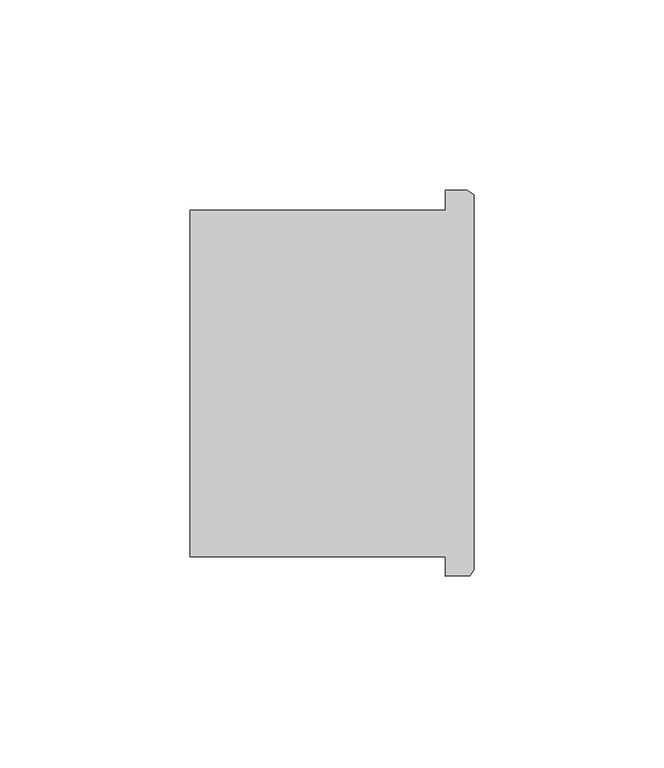
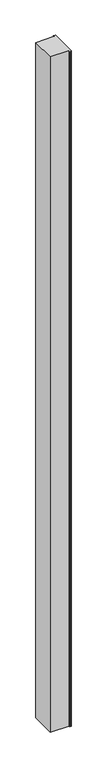
"""IFC4 building model written with IfcOpenShell, lengths in millimetres: column geometry."""

from ifc_helpers import new_model, si_unit, frame, origin, place, context, project, spatial, polyline, outline, extrude, source, transform, mapped, element, save


def column_2d06603f(model_context):
    return source(origin(), model_context, "Body", "SweptSolid", [
        extrude(outline(polyline([(44126.6398898, -53715.6793858), (44126.6398898, -53710.5882352), (44059.3509718, -53710.5882352), (44059.3509718, -53619.3814072), (44126.6398898, -53619.3814072), (44126.6398898, -53614.0793858), (44132.3325632, -53614.0793858), (44134.0998952, -53615.319617), (44134.0998952, -53714.036082), (44133.0209032, -53715.5243696), (44126.6398898, -53715.6793858)])), frame((0.0, 0.0, 4419.602032), z_axis=(0.0, 0.0, 1.0), x_axis=(1.0, 0.0, 0.0)), (0.0, 0.0, 1.0), 2590.8000818),
        extrude(outline(polyline([(44126.6398898, -53715.6793858), (44126.6398898, -53710.5882352), (44059.3509718, -53710.5882352), (44059.3509718, -53619.3814072), (44126.6398898, -53619.3814072), (44126.6398898, -53614.0793858), (44132.3325632, -53614.0793858), (44134.0998952, -53615.319617), (44134.0998952, -53714.036082), (44133.0209032, -53715.5243696), (44126.6398898, -53715.6793858)])), frame((0.0, 0.0, 4419.602032), z_axis=(0.0, 0.0, 1.0), x_axis=(1.0, 0.0, 0.0)), (0.0, 0.0, 1.0), 2590.8000818),
    ])


if __name__ == "__main__":
    model = new_model("IFC4")
    model_context = context("Model", 3, world=origin())
    ifc_project = project(units=[si_unit("LENGTHUNIT", "METRE", prefix="MILLI")], contexts=[model_context])
    site = spatial("IfcSite", under=ifc_project)
    building = spatial("IfcBuilding", under=site)
    placement = place(None, origin())
    column_shape = column_2d06603f(model_context)
    element("IfcColumn", 1, at=placement, inside=building, context=model_context, shape_type="MappedRepresentation", body=[
        mapped(column_shape, transform((0.0, 0.0, 0.0), x_axis=(1.0, 0.0, 0.0), y_axis=(0.0, 1.0, 0.0), z_axis=(0.0, 0.0, 1.0))),
    ])
    save(model, "model.ifc")
